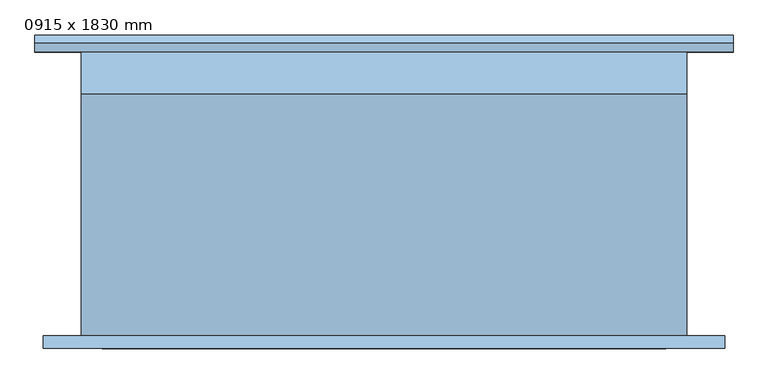
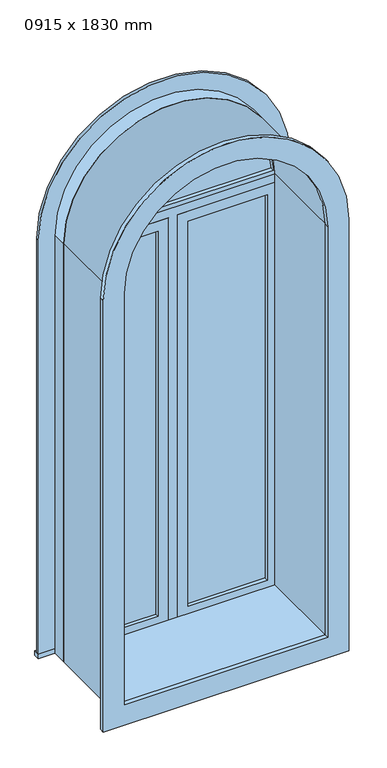
"""IFC4 building model written with IfcOpenShell, lengths in millimetres: window geometry, 0915 x 1830 mm."""

from ifc_helpers import new_model, si_unit, point, frame, frame_2d, origin, place, context, project, spatial, polyline, circle_curve, trimmed, segment, composite_curve, outline, extrude, source, transform, mapped, element, save


def window_0915_x_1830_mm_0dbe56e3(model_context):
    return source(origin(), model_context, "Body", "SweptSolid", [
        extrude(outline(composite_curve([segment(polyline([(2154.05, -506.7478419), (247.75, -506.7478419), (247.75, 522.7521581), (2154.05, 522.7521581)]), True, "CONTINUOUS"), segment(trimmed(circle_curve(frame_2d((2154.05, 8.0021581)), 514.75), [point((2154.05, 522.7521581))], [point((2154.05, -506.7478419))], False, "CARTESIAN"), True, "CONTINUOUS")], self_intersect=False), holes=[composite_curve([segment(trimmed(circle_curve(frame_2d((2154.05, 8.0021581)), 425.75), [point((2154.05, -417.7478419))], [point((2154.05, 433.7521581))], True, "CARTESIAN"), True, "CONTINUOUS"), segment(polyline([(2154.05, 433.7521581), (336.75, 433.7521581), (336.75, -417.7478419), (2154.05, -417.7478419)]), True, "CONTINUOUS")], self_intersect=False)]), frame((0.0, -233.5, 0.0), z_axis=(0.0, 1.0, 0.0), x_axis=(0.0, 0.0, 1.0)), (0.0, 0.0, 1.0), 19.0),
        extrude(outline(composite_curve([segment(trimmed(circle_curve(frame_2d((2154.05, 8.0021581)), 419.515161), [point((2173.0999995, 427.0845699))], [point((2173.0999995, -411.0802537))], False, "CARTESIAN"), True, "CONTINUOUS"), segment(polyline([(2173.0999995, -411.0802537), (2173.0999995, 427.0845699)]), True, "CONTINUOUS")], self_intersect=False)), frame((0.0, 166.925, 0.0), z_axis=(0.0, 1.0, 0.0), x_axis=(0.0, 0.0, 1.0)), (0.0, 0.0, 1.0), 12.7),
        extrude(outline(composite_curve([segment(trimmed(circle_curve(frame_2d((2154.05, 8.0021581)), 438.45), [point((2154.05, 446.4521581))], [point((2154.05, -430.4478419))], False, "CARTESIAN"), True, "CONTINUOUS"), segment(polyline([(2154.05, -430.4478419), (2154.05, 446.4521581)]), True, "CONTINUOUS")], self_intersect=False), holes=[composite_curve([segment(polyline([(2173.0999995, 427.0845698), (2173.0999995, -411.0802537)]), True, "CONTINUOUS"), segment(trimmed(circle_curve(frame_2d((2154.05, 8.0021581)), 419.515161), [point((2173.0999995, -411.0802537))], [point((2173.0999995, 427.0845698))], True, "CARTESIAN"), True, "CONTINUOUS")], self_intersect=False)]), frame((0.0, 151.05, 0.0), z_axis=(0.0, 1.0, 0.0), x_axis=(0.0, 0.0, 1.0)), (0.0, 0.0, 1.0), 44.45),
        extrude(outline(composite_curve([segment(polyline([(305.0, -449.4978419), (305.0, 465.5021581), (2154.05, 465.5021581)]), True, "CONTINUOUS"), segment(trimmed(circle_curve(frame_2d((2154.05, 8.0021581)), 457.5), [point((2154.05, 465.5021581))], [point((2154.05, -449.4978419))], False, "CARTESIAN"), True, "CONTINUOUS"), segment(polyline([(2154.05, -449.4978419), (305.0, -449.4978419)]), True, "CONTINUOUS")], self_intersect=False), holes=[composite_curve([segment(polyline([(324.05, -430.4478419), (2154.05, -430.4478419)]), True, "CONTINUOUS"), segment(trimmed(circle_curve(frame_2d((2154.05, 8.0021581)), 438.45), [point((2154.05, -430.4478419))], [point((2154.05, 446.4521581))], True, "CARTESIAN"), True, "CONTINUOUS"), segment(polyline([(2154.05, 446.4521581), (324.05, 446.4521581), (324.05, -430.4478419)]), True, "CONTINUOUS")], self_intersect=False)]), frame((0.0, 151.05, 0.0), z_axis=(0.0, 1.0, 0.0), x_axis=(0.0, 0.0, 1.0)), (0.0, 0.0, 1.0), 63.45),
        extrude(outline(polyline([(71.5021581, 179.625), (402.0021581, 179.625), (402.0021581, 166.925), (71.5021581, 166.925), (71.5021581, 179.625)])), frame((0.0, 0.0, 368.5), z_axis=(0.0, 0.0, 1.0), x_axis=(1.0, 0.0, 0.0)), (0.0, 0.0, 1.0), 1703.0),
        extrude(outline(polyline([(2115.95, 27.0521581), (324.05, 27.0521581), (324.05, 446.4521581), (2115.95, 446.4521581), (2115.95, 27.0521581)]), holes=[polyline([(2071.5, 71.5021581), (2071.5, 402.0021581), (368.5, 402.0021581), (368.5, 71.5021581), (2071.5, 71.5021581)])]), frame((0.0, 151.05, 0.0), z_axis=(0.0, 1.0, 0.0), x_axis=(0.0, 0.0, 1.0)), (0.0, 0.0, 1.0), 44.45),
        extrude(outline(polyline([(324.05, -11.0478419), (324.05, 27.0521581), (2115.95, 27.0521581), (2115.95, 446.4521581), (2154.05, 446.4521581), (2154.05, -430.4478419), (2115.95, -430.4478419), (2115.95, -11.0478419), (324.05, -11.0478419)])), frame((0.0, 151.05, 0.0), z_axis=(0.0, 1.0, 0.0), x_axis=(0.0, 0.0, 1.0)), (0.0, 0.0, 1.0), 63.5),
        extrude(outline(polyline([(-519.4478419, 240.2), (535.4521581, 240.2), (535.4521581, 214.5), (-519.4478419, 214.5), (-519.4478419, 240.2)])), frame((0.0, 0.0, 305.0), z_axis=(0.0, 0.0, 1.0), x_axis=(1.0, 0.0, 0.0)), (0.0, 0.0, 1.0), 19.05),
        extrude(outline(composite_curve([segment(polyline([(324.05, 446.4521581), (324.05, 535.4521581), (2154.05, 535.4521581)]), True, "CONTINUOUS"), segment(trimmed(circle_curve(frame_2d((2154.05, 8.0021581)), 527.45), [point((2154.05, 535.4521581))], [point((2154.05, -519.4478419))], False, "CARTESIAN"), True, "CONTINUOUS"), segment(polyline([(2154.05, -519.4478419), (324.05, -519.4478419), (324.05, -430.4478419), (2154.05, -430.4478419)]), True, "CONTINUOUS"), segment(trimmed(circle_curve(frame_2d((2154.05, 8.0021581)), 438.45), [point((2154.05, -430.4478419))], [point((2154.05, 446.4521581))], True, "CARTESIAN"), True, "CONTINUOUS"), segment(polyline([(2154.05, 446.4521581), (324.05, 446.4521581)]), True, "CONTINUOUS")], self_intersect=False)), frame((0.0, 214.5, 0.0), z_axis=(0.0, 1.0, 0.0), x_axis=(0.0, 0.0, 1.0)), (0.0, 0.0, 1.0), 13.0),
        extrude(outline(polyline([(-55.4978419, 166.925), (-385.9978419, 166.925), (-385.9978419, 179.625), (-55.4978419, 179.625), (-55.4978419, 166.925)])), frame((0.0, 0.0, 368.5), z_axis=(0.0, 0.0, 1.0), x_axis=(1.0, 0.0, 0.0)), (0.0, 0.0, 1.0), 1703.0),
        extrude(outline(polyline([(2115.95, -430.4478419), (324.05, -430.4478419), (324.05, -11.0478419), (2115.95, -11.0478419), (2115.95, -430.4478419)]), holes=[polyline([(2071.5, -385.9978419), (2071.5, -55.4978419), (368.5, -55.4978419), (368.5, -385.9978419), (2071.5, -385.9978419)])]), frame((0.0, 151.05, 0.0), z_axis=(0.0, 1.0, 0.0), x_axis=(0.0, 0.0, 1.0)), (0.0, 0.0, 1.0), 44.45),
        extrude(outline(composite_curve([segment(polyline([(305.0, 465.5021581), (2154.05, 465.5021581)]), True, "CONTINUOUS"), segment(trimmed(circle_curve(frame_2d((2154.05, 8.0021581)), 457.5), [point((2154.05, 465.5021581))], [point((2154.05, -449.4978419))], False, "CARTESIAN"), True, "CONTINUOUS"), segment(polyline([(2154.05, -449.4978419), (305.0, -449.4978419), (305.0, 465.5021581)]), True, "CONTINUOUS")], self_intersect=False), holes=[composite_curve([segment(polyline([(336.75, 433.7521581), (336.75, -417.7478419), (2154.05, -417.7478419)]), True, "CONTINUOUS"), segment(trimmed(circle_curve(frame_2d((2154.05, 8.0021581)), 425.75), [point((2154.05, -417.7478419))], [point((2154.05, 433.7521581))], True, "CARTESIAN"), True, "CONTINUOUS"), segment(polyline([(2154.05, 433.7521581), (336.75, 433.7521581)]), True, "CONTINUOUS")], self_intersect=False)]), frame((0.0, -214.5, 0.0), z_axis=(0.0, 1.0, 0.0), x_axis=(0.0, 0.0, 1.0)), (0.0, 0.0, 1.0), 365.55),
    ])


if __name__ == "__main__":
    model = new_model("IFC4")
    model_context = context("Model", 3, world=origin())
    ifc_project = project(units=[si_unit("LENGTHUNIT", "METRE", prefix="MILLI")], contexts=[model_context])
    site = spatial("IfcSite", under=ifc_project)
    building = spatial("IfcBuilding", under=site)
    placement = place(None, origin())
    window_0915_x_1830_mm_shape = window_0915_x_1830_mm_0dbe56e3(model_context)
    element("IfcWindow", 1, ObjectType="0915 x 1830 mm", at=placement, inside=building, context=model_context, shape_type="MappedRepresentation", body=[
        mapped(window_0915_x_1830_mm_shape, transform((0.0, 0.0, 0.0), x_axis=(1.0, 0.0, 0.0), y_axis=(0.0, 1.0, 0.0), z_axis=(0.0, 0.0, 1.0))),
    ])
    save(model, "model.ifc")
